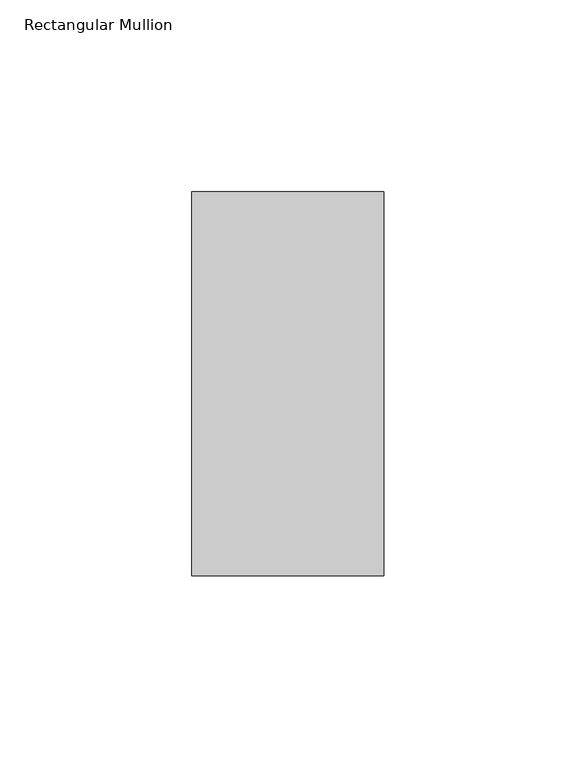
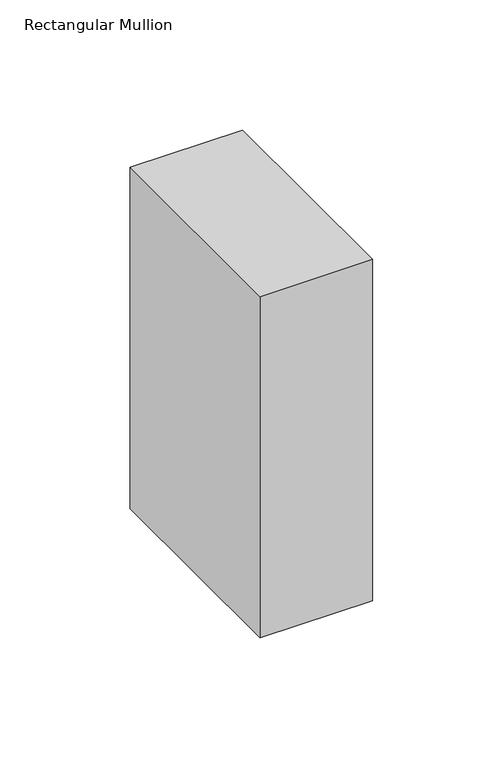
"""IFC4 building model written with IfcOpenShell, lengths in millimetres: member geometry, Rectangular Mullion."""

from ifc_helpers import new_model, si_unit, frame, origin, place, context, project, spatial, polyline, outline, extrude, source, transform, mapped, element, save


def rectangular_mullion_8ee08014(model_context):
    return source(origin(), model_context, "Body", "SweptSolid", [
        extrude(outline(polyline([(0.0, 69.0), (0.0, -31.0), (-50.0, -31.0), (-50.0, 69.0), (0.0, 69.0)])), frame((0.0, 0.0, -160.0), z_axis=(0.0, 0.0, 1.0), x_axis=(1.0, 0.0, 0.0)), (0.0, 0.0, 1.0), 160.0),
    ])


if __name__ == "__main__":
    model = new_model("IFC4")
    model_context = context("Model", 3, world=origin())
    ifc_project = project(units=[si_unit("LENGTHUNIT", "METRE", prefix="MILLI")], contexts=[model_context])
    site = spatial("IfcSite", under=ifc_project)
    building = spatial("IfcBuilding", under=site)
    placement = place(None, origin())
    rectangular_mullion_shape = rectangular_mullion_8ee08014(model_context)
    element("IfcMember", 1, ObjectType="Rectangular Mullion", at=placement, inside=building, context=model_context, shape_type="MappedRepresentation", body=[
        mapped(rectangular_mullion_shape, transform((0.0, 0.0, 0.0), x_axis=(1.0, 0.0, 0.0), y_axis=(0.0, 1.0, 0.0), z_axis=(0.0, 0.0, 1.0))),
    ])
    save(model, "model.ifc")
